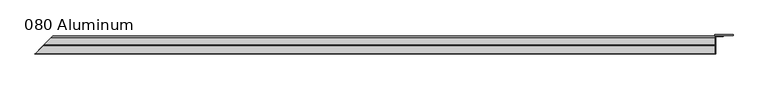
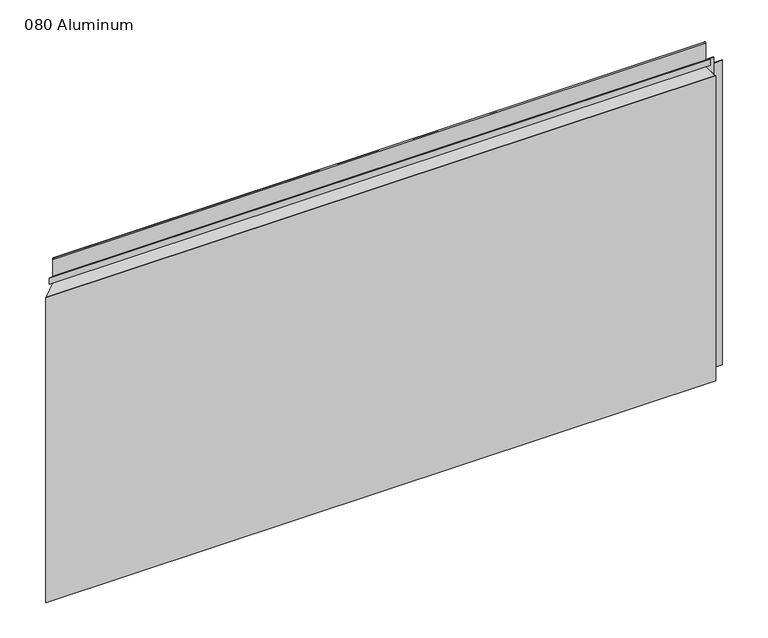
"""IFC4 building model written with IfcOpenShell, lengths in millimetres: plate geometry, 080 Aluminum."""

import ifcopenshell
import ifcopenshell.guid

model = None  # the IFC model being written
_history = None  # IfcOwnerHistory: only IFC2X3 demands one
_inside = {}  # id of a spatial element -> (the spatial element, [elements in it])
_under = {}  # id of a project, library or spatial element -> (it, [spatial elements below it])
_declared = {}  # id of a project -> (the project, [libraries it declares])
_typed = {}  # id of a type object -> (the type object, [elements of that type])
_made_of = {}  # id of a material, layer set ... -> (it, [elements and type objects made of it])


def new_model(schema):
    """Start an empty IFC model of exactly this schema.

    Asked for "IFC4X3", IfcOpenShell would pick the latest addendum, in which some entities
    have other attributes; the version numbers below select the first issue.
    IFC2X3 requires an IfcOwnerHistory on every rooted entity: one is made here for all.
    """
    global model, _history
    if schema == "IFC4X3":
        model = ifcopenshell.file(schema_version=(4, 3, 0, 0))
    else:
        model = ifcopenshell.file(schema=schema)
    _inside.clear()
    _under.clear()
    _declared.clear()
    _typed.clear()
    _made_of.clear()
    _history = None
    if model.schema == "IFC2X3":
        org = make("IfcOrganization", Name="unknown")
        user = make(
            "IfcPersonAndOrganization",
            ThePerson=make("IfcPerson", FamilyName="unknown"),
            TheOrganization=org,
        )
        app = make(
            "IfcApplication",
            ApplicationDeveloper=org,
            Version="unknown",
            ApplicationFullName="unknown",
            ApplicationIdentifier="unknown",
        )
        _history = make(
            "IfcOwnerHistory",
            OwningUser=user,
            OwningApplication=app,
            ChangeAction="ADDED",
            CreationDate=0,
        )
    return model


def make(cls, **values):
    """One entity of the class cls with the attributes given. An attribute that is None is left unset."""
    return model.create_entity(
        cls, **{name: value for name, value in values.items() if value is not None}
    )


def rooted(cls, **values):
    """An entity with a GlobalId (a new one), such as an element, a storey or a relation."""
    return make(cls, GlobalId=ifcopenshell.guid.new(), OwnerHistory=_history, **values)


def si_unit(unit_type, name, prefix=None):
    """IfcSIUnit, for example si_unit("LENGTHUNIT", "METRE", prefix="MILLI")."""
    return make("IfcSIUnit", UnitType=unit_type, Prefix=prefix, Name=name)


def assignment(units):
    """IfcUnitAssignment: the units of a project."""
    return None if units is None else make("IfcUnitAssignment", Units=units)


def point(xyz):
    """IfcCartesianPoint."""
    return None if xyz is None else make("IfcCartesianPoint", Coordinates=xyz)


def direction(xyz):
    """IfcDirection."""
    return None if xyz is None else make("IfcDirection", DirectionRatios=xyz)


def frame(location, z_axis=None, x_axis=None):
    """IfcAxis2Placement3D, a coordinate frame: its origin and axes. An axis left out is left unset."""
    return make(
        "IfcAxis2Placement3D",
        Location=point(location),
        Axis=direction(z_axis),
        RefDirection=direction(x_axis),
    )


def origin():
    """The frame at (0, 0, 0) with its axes left unset."""
    return frame((0.0, 0.0, 0.0))


def origin_with_axes():
    """The frame at (0, 0, 0) with the z axis (0, 0, 1) and the x axis (1, 0, 0) written out."""
    return frame((0.0, 0.0, 0.0), z_axis=(0.0, 0.0, 1.0), x_axis=(1.0, 0.0, 0.0))


def place(relative_to, where):
    """IfcLocalPlacement: puts the frame where relative to a parent placement (None: the world)."""
    return make(
        "IfcLocalPlacement", PlacementRelTo=relative_to, RelativePlacement=where
    )


def context(
    kind, dimensions, precision=None, world=None, true_north=None, identifier=None
):
    """IfcGeometricRepresentationContext, for example the 3D "Model" context."""
    return make(
        "IfcGeometricRepresentationContext",
        ContextIdentifier=identifier,
        ContextType=kind,
        CoordinateSpaceDimension=dimensions,
        Precision=precision,
        WorldCoordinateSystem=world,
        TrueNorth=true_north,
    )


def project(units=None, contexts=None):
    """IfcProject with its units and contexts."""
    return rooted(
        "IfcProject",
        Name="project",
        RepresentationContexts=contexts,
        UnitsInContext=assignment(units),
    )


def spatial(cls, under=None, at=None, **own):
    """A site, building, storey or space (cls), placed at a placement, below another one or the project."""
    s = rooted(cls, ObjectPlacement=at, **own)
    if under is not None:
        _under.setdefault(under.id(), (under, []))[1].append(s)
    return s


def polyline(points):
    """IfcPolyline through the points."""
    return make("IfcPolyline", Points=[point(p) for p in points])


def circle_curve(where, radius):
    """IfcCircle in the frame where."""
    return make("IfcCircle", Position=where, Radius=radius)


def ellipse_curve(where, semi_axis1, semi_axis2):
    """IfcEllipse in the frame where."""
    return make(
        "IfcEllipse", Position=where, SemiAxis1=semi_axis1, SemiAxis2=semi_axis2
    )


def outline(outer, holes=None, kind="AREA"):
    """IfcArbitraryClosedProfileDef: a profile drawn as a closed curve; with holes, ...WithVoids."""
    if holes is None:
        return make("IfcArbitraryClosedProfileDef", ProfileType=kind, OuterCurve=outer)
    return make(
        "IfcArbitraryProfileDefWithVoids",
        ProfileType=kind,
        OuterCurve=outer,
        InnerCurves=holes,
    )


def extrude(swept, where, along, depth):
    """IfcExtrudedAreaSolid: the profile swept, set in the frame where, extruded along a direction by depth."""
    return make(
        "IfcExtrudedAreaSolid",
        SweptArea=swept,
        Position=where,
        ExtrudedDirection=direction(along),
        Depth=depth,
    )


def shape(context_of_items, identifier, shape_type, items):
    """IfcShapeRepresentation: the items that make up one representation, for example the "Body"."""
    return make(
        "IfcShapeRepresentation",
        ContextOfItems=context_of_items,
        RepresentationIdentifier=identifier,
        RepresentationType=shape_type,
        Items=items,
    )


def source(mapping_origin, context_of_items, identifier, shape_type, items):
    """IfcRepresentationMap: a shape defined once, which mapped items show again and again."""
    return make(
        "IfcRepresentationMap",
        MappingOrigin=mapping_origin,
        MappedRepresentation=shape(context_of_items, identifier, shape_type, items),
    )


def transform(
    local_origin,
    x_axis=None,
    y_axis=None,
    z_axis=None,
    scale=None,
    scale2=None,
    scale3=None,
    uniform=True,
):
    """IfcCartesianTransformationOperator3D, or its non-uniform kind. x_axis, y_axis, z_axis: its Axis1, 2, 3."""
    if uniform:
        return make(
            "IfcCartesianTransformationOperator3D",
            Axis1=direction(x_axis),
            Axis2=direction(y_axis),
            LocalOrigin=point(local_origin),
            Scale=scale,
            Axis3=direction(z_axis),
        )
    return make(
        "IfcCartesianTransformationOperator3DnonUniform",
        Axis1=direction(x_axis),
        Axis2=direction(y_axis),
        LocalOrigin=point(local_origin),
        Scale=scale,
        Axis3=direction(z_axis),
        Scale2=scale2,
        Scale3=scale3,
    )


def mapped(mapping_source, mapping_target):
    """IfcMappedItem: shows the shape of a source again, moved by a transform."""
    return make(
        "IfcMappedItem", MappingSource=mapping_source, MappingTarget=mapping_target
    )


def made_of(thing, what):
    """Note that an element or type object is made of a material, layer set ...; save() writes the relation."""
    if what is not None:
        _made_of.setdefault(what.id(), (what, []))[1].append(thing)
    return thing


def element(
    cls,
    number,
    at=None,
    inside=None,
    cuts=None,
    type_object=None,
    material=None,
    context=None,
    identifier="Body",
    shape_type=None,
    held_by="IfcProductDefinitionShape",
    body=None,
    shapes=None,
    **own,
):
    """One element of the class cls, such as IfcWall. Its Tag is "e" and its number.

    at: its placement. inside: the storey or other place that contains it. cuts: it is an
    opening in that element (IfcRelVoidsElement). A single representation is given by context,
    identifier, shape_type and body (its items); several are given by shapes. held_by: the class
    of the entity that holds the representations. save() writes the other relations.
    """
    e = rooted(cls, Tag="e%d" % number, ObjectPlacement=at, **own)
    if body is not None:
        shapes = [shape(context, identifier, shape_type, body)]
    if shapes is not None:
        e.Representation = make(held_by, Representations=shapes)
    if inside is not None:
        _inside.setdefault(inside.id(), (inside, []))[1].append(e)
    if cuts is not None:
        rooted(
            "IfcRelVoidsElement", RelatingBuildingElement=cuts, RelatedOpeningElement=e
        )
    if type_object is not None:
        _typed.setdefault(type_object.id(), (type_object, []))[1].append(e)
    return made_of(e, material)


def aggregate(whole, parts):
    """IfcRelAggregates: a whole, such as a stair, and the parts it consists of."""
    return rooted("IfcRelAggregates", RelatingObject=whole, RelatedObjects=parts)


def save(model, path):
    """Write the relations noted so far, then the file.

    IfcRelAggregates (storeys below a building ...), IfcRelContainedInSpatialStructure (elements
    in a storey), IfcRelDefinesByType, IfcRelAssociatesMaterial and IfcRelDeclares: one each for
    every whole, place, type object, material and project.
    """
    for whole, parts in _under.values():
        aggregate(whole, parts)
    for where, things in _inside.values():
        rooted(
            "IfcRelContainedInSpatialStructure",
            RelatedElements=things,
            RelatingStructure=where,
        )
    for kind, things in _typed.values():
        rooted("IfcRelDefinesByType", RelatedObjects=things, RelatingType=kind)
    for what, things in _made_of.values():
        rooted("IfcRelAssociatesMaterial", RelatedObjects=things, RelatingMaterial=what)
    for by, libraries in _declared.values():
        rooted("IfcRelDeclares", RelatingContext=by, RelatedDefinitions=libraries)
    model.write(path)


def plane_surface(at):
    """IfcPlane: the flat surface through the origin of the frame at, square to its z axis."""
    return make("IfcPlane", Position=at)


def cylinder_surface(at, radius):
    """IfcCylindricalSurface: all points at the distance radius from the z axis of the frame at."""
    return make("IfcCylindricalSurface", Position=at, Radius=radius)


def revolved_surface(curve, axis_point, axis_direction):
    """IfcSurfaceOfRevolution: the curve turned about the line through axis_point along axis_direction."""
    return make(
        "IfcSurfaceOfRevolution",
        SweptCurve=make("IfcArbitraryOpenProfileDef", ProfileType="CURVE", Curve=curve),
        AxisPosition=make("IfcAxis1Placement", Location=point(axis_point), Axis=direction(axis_direction)),
    )


def advanced_brep(points, edges, surfaces, faces):
    """IfcAdvancedBrep: a solid bounded by faces that lie on surfaces and meet in shared edges.

    An edge is (start, end): straight between two places in points (the first is 0);
    or (start, end, curve); or (start, end, curve, False) where it runs against its curve.
    A face is (place in surfaces, loops), or (place, loops, False) where it looks against
    its surface's normal. A loop lists edges by number (the first is 1), with a minus sign
    where the edge is run from its end to its start. The first loop is the outer one.
    """
    corners = [point(p) for p in points]
    vertices = [make("IfcVertexPoint", VertexGeometry=c) for c in corners]
    made = []
    for start, end, *more in edges:
        made.append(
            make(
                "IfcEdgeCurve",
                EdgeStart=vertices[start],
                EdgeEnd=vertices[end],
                EdgeGeometry=more[0] if more else make("IfcPolyline", Points=[corners[start], corners[end]]),
                SameSense=more[1] if len(more) > 1 else True,
            )
        )
    hull = []
    for where, loops, *sense in faces:
        bounds = []
        for j, loop in enumerate(loops):
            ring = [make("IfcOrientedEdge", EdgeElement=made[abs(k) - 1], Orientation=k > 0) for k in loop]
            bounds.append(
                make(
                    "IfcFaceOuterBound" if j == 0 else "IfcFaceBound",
                    Bound=make("IfcEdgeLoop", EdgeList=ring),
                    Orientation=True,
                )
            )
        hull.append(make("IfcAdvancedFace", Bounds=bounds, FaceSurface=surfaces[where], SameSense=sense[0] if sense else True))
    return make("IfcAdvancedBrep", Outer=make("IfcClosedShell", CfsFaces=hull))


def plate_080_aluminum_91356996(model_context):
    return source(origin(), model_context, "Body", "SolidModel", [
        advanced_brep(
        [(608.0252, -16.6765477, 13.1458337), (608.0252, -23.0264743, 13.124237), (608.0252, -23.0264743, 1.2693678), (608.0252, -34.7980002, 1.2693678), (608.0252, -34.7980002, 0.0), (608.0252, -21.7564743, 0.0), (608.0252, -21.7564743, 13.124237), (608.0252, -17.9464915, 13.1323356), (608.0252, -17.9464915, 2.786437), (608.0252, -16.6765477, 2.786437), (-638.6717477, -16.6765477, 2.786437), (-638.6717477, -16.6765477, 13.1458337), (-639.9416915, -17.9464915, 2.786437), (-639.9416915, -17.9464915, 13.1323356), (-643.7516743, -21.7564743, 13.124237), (-643.7516743, -21.7564743, 0.0), (-656.7932, -34.7980002, 0.0), (-656.7932, -34.7980002, 1.2693678), (-645.0216743, -23.0264743, 1.2693678), (-645.0216743, -23.0264743, 13.124237)],
        [
            (0, 1, circle_curve(frame((608.0252, -19.8514743, 13.124237), z_axis=(1.0, 0.0, 0.0), x_axis=(0.0, 0.0, -1.0)), 3.175)),
            (1, 2),
            (2, 3),
            (3, 4),
            (4, 5),
            (5, 6),
            (6, 7, circle_curve(frame((608.0252, -19.8514743, 13.124237), z_axis=(-1.0, 0.0, 0.0), x_axis=(0.0, 0.0, -1.0)), 1.905)),
            (7, 8),
            (8, 9),
            (9, 0),
            (9, 10),
            (10, 11),
            (11, 0),
            (8, 12),
            (12, 10),
            (7, 13),
            (13, 12),
            (6, 14),
            (14, 13, ellipse_curve(frame((-641.8466743, -19.8514743, 13.124237), z_axis=(-0.7071067811865467, 0.7071067811865485, 0.0), x_axis=(0.7071067811865482, 0.7071067811865468, 0.0)), 2.6940768, 1.905)),
            (5, 15),
            (15, 14),
            (4, 16),
            (16, 15),
            (3, 17),
            (17, 16),
            (2, 18),
            (18, 17),
            (1, 19),
            (19, 18),
            (11, 19, ellipse_curve(frame((-641.8466743, -19.8514743, 13.124237), z_axis=(0.7071067811865467, -0.7071067811865485, 0.0), x_axis=(-0.7071067811865482, -0.7071067811865468, 0.0)), 4.4901281, 3.175)),
        ],
        [
            plane_surface(frame((608.0252, -36.068, 0.0), z_axis=(1.0, 0.0, 0.0), x_axis=(0.0, 0.0, 1.0))),
            plane_surface(frame((-656.7932, -16.6765477, 13.1458337), z_axis=(0.0, 1.0, 0.0), x_axis=(1.0, 0.0, 0.0))),
            plane_surface(frame((-656.7932, -16.6765477, 2.786437), z_axis=(0.0, 0.0, -1.0), x_axis=(1.0, 0.0, 0.0))),
            plane_surface(frame((-656.7932, -17.9464915, 2.786437), z_axis=(0.0, -1.0, 0.0), x_axis=(1.0, 0.0, 0.0))),
            revolved_surface(polyline([(608.0252000000002, -19.8514743, 11.219237000000001), (-643.7516743, -19.8514743, 11.219237000000001)]), (-656.7932, -19.8514743, 13.124237), (1.0, 0.0, 0.0)),
            plane_surface(frame((-656.7932, -21.7564743, 13.124237), z_axis=(0.0, 1.0, 0.0), x_axis=(1.0, 0.0, 0.0))),
            plane_surface(frame((-656.7932, -21.7564743, 0.0), z_axis=(0.0, 0.0, -1.0), x_axis=(1.0, 0.0, 0.0))),
            plane_surface(frame((-656.7932, -34.7980002, 0.0), z_axis=(0.0, -1.0, 0.0), x_axis=(1.0, 0.0, 0.0))),
            plane_surface(frame((-656.7932, -34.7980002, 1.2693678), z_axis=(0.0, 0.0, 1.0), x_axis=(1.0, 0.0, 0.0))),
            plane_surface(frame((-656.7932, -23.0264743, 1.2693678), z_axis=(0.0, -1.0, 0.0), x_axis=(1.0, 0.0, 0.0))),
            cylinder_surface(frame((-656.7932, -19.8514743, 13.124237), z_axis=(-1.0, 0.0, 0.0), x_axis=(0.0, 0.0, -1.0)), 3.175),
            plane_surface(frame((-658.0632, -36.068, 795.4549971), z_axis=(-0.7071067811865467, 0.7071067811865485, 0.0), x_axis=(0.0, 0.0, -1.0))),
        ],
        [
            (0, [[1, 2, 3, 4, 5, 6, 7, 8, 9, 10]]),
            (1, [[-10, 11, 12, 13]]),
            (2, [[-9, 14, 15, -11]]),
            (3, [[-8, 16, 17, -14]]),
            (4, [[-7, 18, 19, -16]]),
            (5, [[-6, 20, 21, -18]]),
            (6, [[-5, 22, 23, -20]]),
            (7, [[-4, 24, 25, -22]]),
            (8, [[-3, 26, 27, -24]]),
            (9, [[-2, 28, 29, -26]]),
            (10, [[-1, -13, 30, -28]]),
            (11, [[-12, -15, -17, -19, -21, -23, -25, -27, -29, -30]]),
        ],
    ),
        advanced_brep(
        [(608.0252, -2.0574743, 656.7932001), (608.0252, -5.3594742, 656.7932001), (608.0252, -5.3594742, 623.57), (608.0252, -19.2164743, 623.57), (608.0252, -19.2164743, 633.6538), (608.0252, -20.4864742, 633.6538), (608.0252, -20.4864742, 622.3), (608.0252, -4.0894742, 622.3), (608.0252, -4.0894742, 656.7932001), (608.0252, -3.3274743, 656.7932001), (608.0252, -3.3274743, 609.6000001), (608.0252, -34.7980002, 609.6000001), (608.0252, -34.7980002, 608.33), (608.0252, -2.0574743, 608.33), (-624.0526743, -2.0574743, 608.33), (-624.0526743, -2.0574743, 656.7932001), (-656.7932, -34.7980002, 608.33), (-656.7932, -34.7980002, 609.6000001), (-625.3226743, -3.3274743, 609.6000001), (-625.3226743, -3.3274743, 656.7932001), (-626.0846742, -4.0894742, 656.7932001), (-626.0846742, -4.0894742, 622.3), (-642.4816742, -20.4864742, 622.3), (-642.4816742, -20.4864742, 633.6538), (-641.2116743, -19.2164743, 633.6538), (-641.2116743, -19.2164743, 623.57), (-627.3546742, -5.3594742, 623.57), (-627.3546742, -5.3594742, 656.7932001)],
        [
            (0, 1, circle_curve(frame((608.0252, -3.7084742, 656.7932001), z_axis=(1.0, 0.0, 0.0), x_axis=(0.0, 0.0, -1.0)), 1.6509999)),
            (1, 2),
            (2, 3),
            (3, 4),
            (4, 5),
            (5, 6),
            (6, 7),
            (7, 8),
            (8, 9, circle_curve(frame((608.0252, -3.7084742, 656.7932001), z_axis=(-1.0, 0.0, 0.0), x_axis=(0.0, 0.0, -1.0)), 0.3809999)),
            (9, 10),
            (10, 11),
            (11, 12),
            (12, 13),
            (13, 0),
            (13, 14),
            (14, 15),
            (15, 0),
            (12, 16),
            (16, 14),
            (11, 17),
            (17, 16),
            (10, 18),
            (18, 17),
            (9, 19),
            (19, 18),
            (8, 20),
            (20, 19, ellipse_curve(frame((-625.7036742, -3.7084742, 656.7932001), z_axis=(-0.7071067811865467, 0.7071067811865485, 0.0), x_axis=(0.7071067811865482, 0.7071067811865468, 0.0)), 0.5388153, 0.3809999)),
            (7, 21),
            (21, 20),
            (6, 22),
            (22, 21),
            (5, 23),
            (23, 22),
            (4, 24),
            (24, 23),
            (3, 25),
            (25, 24),
            (2, 26),
            (26, 25),
            (1, 27),
            (27, 26),
            (15, 27, ellipse_curve(frame((-625.7036742, -3.7084742, 656.7932001), z_axis=(0.7071067811865467, -0.7071067811865485, 0.0), x_axis=(-0.7071067811865482, -0.7071067811865468, 0.0)), 2.3348665, 1.6509999)),
        ],
        [
            plane_surface(frame((608.0252, -36.068, 609.6), z_axis=(1.0, 0.0, 0.0), x_axis=(0.0, 0.0, 1.0))),
            plane_surface(frame((-656.7932, -2.0574743, 656.7932001), z_axis=(0.0, 1.0, 0.0), x_axis=(1.0, 0.0, 0.0))),
            plane_surface(frame((-656.7932, -2.0574743, 608.33), z_axis=(0.0, 0.0, -1.0), x_axis=(1.0, 0.0, 0.0))),
            plane_surface(frame((-656.7932, -34.7980002, 608.33), z_axis=(0.0, -1.0, 0.0), x_axis=(1.0, 0.0, 0.0))),
            plane_surface(frame((-656.7932, -34.7980002, 609.6000001), z_axis=(0.0, 0.0, 1.0), x_axis=(1.0, 0.0, 0.0))),
            plane_surface(frame((-656.7932, -3.3274743, 609.6000001), z_axis=(0.0, -1.0, 0.0), x_axis=(1.0, 0.0, 0.0))),
            revolved_surface(polyline([(608.0252000000002, -3.7084742, 656.4122002), (-626.0846742, -3.7084742, 656.4122002)]), (-656.7932, -3.7084742, 656.7932001), (1.0, 0.0, 0.0)),
            plane_surface(frame((-656.7932, -4.0894742, 656.7932001), z_axis=(0.0, 1.0, 0.0), x_axis=(1.0, 0.0, 0.0))),
            plane_surface(frame((-656.7932, -4.0894742, 622.3), z_axis=(0.0, 0.0, -1.0), x_axis=(1.0, 0.0, 0.0))),
            plane_surface(frame((-656.7932, -20.4864742, 622.3), z_axis=(0.0, -1.0, 0.0), x_axis=(1.0, 0.0, 0.0))),
            plane_surface(frame((-656.7932, -20.4864742, 633.6538), z_axis=(0.0, 0.0, 1.0), x_axis=(1.0, 0.0, 0.0))),
            plane_surface(frame((-656.7932, -19.2164743, 633.6538), z_axis=(0.0, 1.0, 0.0), x_axis=(1.0, 0.0, 0.0))),
            plane_surface(frame((-656.7932, -19.2164743, 623.57), z_axis=(0.0, 0.0, 1.0), x_axis=(1.0, 0.0, 0.0))),
            plane_surface(frame((-656.7932, -5.3594742, 623.57), z_axis=(0.0, -1.0, 0.0), x_axis=(1.0, 0.0, 0.0))),
            cylinder_surface(frame((-656.7932, -3.7084742, 656.7932001), z_axis=(-1.0, 0.0, 0.0), x_axis=(0.0, 0.0, -1.0)), 1.6509999),
            plane_surface(frame((-658.0632, -36.068, 795.4549971), z_axis=(-0.7071067811865467, 0.7071067811865485, 0.0), x_axis=(0.0, 0.0, -1.0))),
        ],
        [
            (0, [[1, 2, 3, 4, 5, 6, 7, 8, 9, 10, 11, 12, 13, 14]]),
            (1, [[-14, 15, 16, 17]]),
            (2, [[-13, 18, 19, -15]]),
            (3, [[-12, 20, 21, -18]]),
            (4, [[-11, 22, 23, -20]]),
            (5, [[-10, 24, 25, -22]]),
            (6, [[-9, 26, 27, -24]]),
            (7, [[-8, 28, 29, -26]]),
            (8, [[-7, 30, 31, -28]]),
            (9, [[-6, 32, 33, -30]]),
            (10, [[-5, 34, 35, -32]]),
            (11, [[-4, 36, 37, -34]]),
            (12, [[-3, 38, 39, -36]]),
            (13, [[-2, 40, 41, -38]]),
            (14, [[-1, -17, 42, -40]]),
            (15, [[-16, -19, -21, -23, -25, -27, -29, -31, -33, -35, -37, -39, -41, -42]]),
        ],
    ),
        extrude(outline(polyline([(609.2952, -34.7980001), (609.2952, -36.068), (-658.0632, -36.068), (-656.7932001, -34.7980001), (609.2952, -34.7980001)])), origin_with_axes(), (0.0, 0.0, 1.0), 609.6),
        extrude(outline(polyline([(609.2952, -1.2699999), (609.2952, -34.7980002), (608.0252001, -34.7980002), (608.0252001, 0.0), (641.8072856, 0.0), (641.8072856, -1.2699999), (609.2952, -1.2699999)])), origin_with_axes(), (0.0, 0.0, 1.0), 608.33),
        extrude(outline(polyline([(608.0252, -3.3274743), (608.0252, -2.0574743), (623.7731999, -2.0574743), (623.7731999, -3.3274743), (608.0252, -3.3274743)])), origin_with_axes(), (0.0, 0.0, 1.0), 622.3),
    ])


if __name__ == "__main__":
    model = new_model("IFC4")
    model_context = context("Model", 3, world=origin())
    ifc_project = project(units=[si_unit("LENGTHUNIT", "METRE", prefix="MILLI")], contexts=[model_context])
    site = spatial("IfcSite", under=ifc_project)
    building = spatial("IfcBuilding", under=site)
    placement = place(None, origin())
    plate_080_aluminum_shape = plate_080_aluminum_91356996(model_context)
    element("IfcPlate", 1, ObjectType="080 Aluminum", at=placement, inside=building, context=model_context, shape_type="MappedRepresentation", body=[
        mapped(plate_080_aluminum_shape, transform((0.0, 0.0, 0.0), x_axis=(1.0, 0.0, 0.0), y_axis=(0.0, 1.0, 0.0), z_axis=(0.0, 0.0, 1.0))),
    ])
    save(model, "model.ifc")
